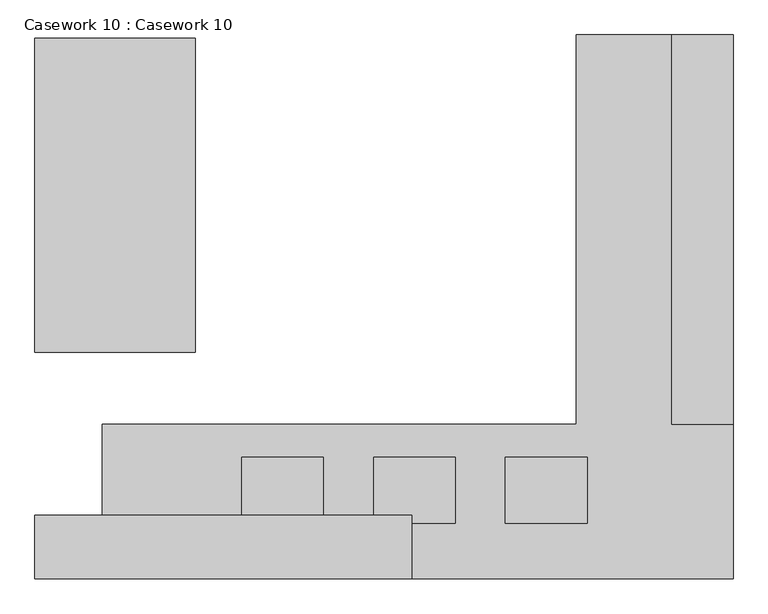
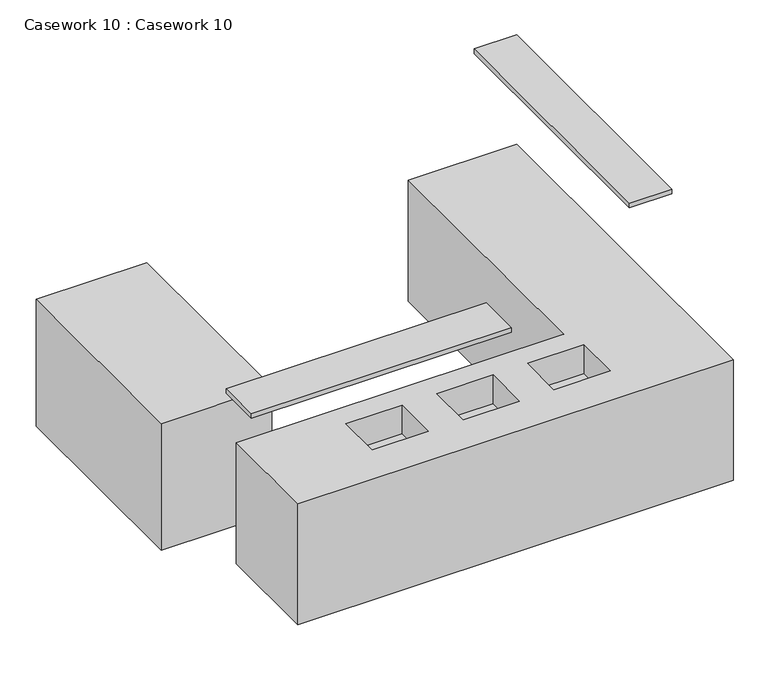
"""IFC4 building model written with IfcOpenShell, lengths in millimetres: furniture geometry, Casework 10 : Casework 10."""

from ifc_helpers import new_model, si_unit, frame, origin, place, context, project, spatial, polyline, outline, extrude, faceted_brep, source, transform, mapped, element, save


def casework_10_casework_10_04145b7c(model_context):
    return source(origin(), model_context, "Body", "SolidModel", [
        extrude(outline(polyline([(-18126.2750886, 22214.2915695), (-18126.2750886, 20703.8316216), (-18898.8596939, 20703.8316216), (-18898.8596939, 22214.2915695), (-18126.2750886, 22214.2915695)])), frame((0.0, 0.0, -14122.4), z_axis=(0.0, 0.0, 1.0), x_axis=(1.0, 0.0, 0.0)), (0.0, 0.0, 1.0), 934.6866812),
        extrude(outline(polyline([(-17084.8750886, 19613.4008493), (-18898.8596939, 19613.4008493), (-18898.8596939, 19919.2631852), (-17084.8750886, 19919.2631852), (-17084.8750886, 19613.4008493)])), frame((0.0, 0.0, -12486.9686386), z_axis=(0.0, 0.0, 1.0), x_axis=(1.0, 0.0, 0.0)), (0.0, 0.0, 1.0), 31.5363404),
        extrude(outline(polyline([(-15538.6500886, 20355.9840728), (-15833.8580257, 20355.9840728), (-15833.8580257, 22230.3986961), (-15538.6500886, 22230.3986961), (-15538.6500886, 20355.9840728)])), frame((0.0, 0.0, -12457.0654308), z_axis=(0.0, 0.0, 1.0), x_axis=(1.0, 0.0, 0.0)), (0.0, 0.0, 1.0), 34.0840454),
        faceted_brep([(-16292.3866609, 20355.9840728, -13230.5480745), (-18575.6501115, 20355.9840728, -13230.5480745), (-18575.6501115, 19613.4008493, -13230.5480745), (-15538.6500886, 19613.4008493, -13230.5480745), (-15538.6500886, 22230.3986961, -13230.5480745), (-16292.3866609, 22230.3986961, -13230.5480745), (-16634.7738006, 19879.8666647, -13230.5480745), (-16634.7738006, 20198.7120659, -13230.5480745), (-16241.2738006, 20198.7120659, -13230.5480745), (-16241.2738006, 19879.8666647, -13230.5480745), (-17268.9035551, 19879.8666647, -13230.5480745), (-17268.9035551, 20198.7120659, -13230.5480745), (-16875.4035551, 20198.7120659, -13230.5480745), (-16875.4035551, 19879.8666647, -13230.5480745), (-17903.9035551, 19879.8666647, -13230.5480745), (-17903.9035551, 20198.7120659, -13230.5480745), (-17510.4035551, 20198.7120659, -13230.5480745), (-17510.4035551, 19879.8666647, -13230.5480745), (-16292.3866609, 20355.9840728, -14122.4), (-16292.3866609, 22230.3986961, -14122.4), (-15538.6500886, 22230.3986961, -14122.4), (-15538.6500886, 19613.4008493, -14122.4), (-18575.6501115, 19613.4008493, -14122.4), (-18575.6501115, 20355.9840728, -14122.4), (-16634.7738006, 20198.7120659, -13443.0730745), (-16634.7738006, 19879.8666647, -13443.0730745), (-16241.2738006, 19879.8666647, -13443.0730745), (-16241.2738006, 20198.7120659, -13443.0730745), (-17268.9035551, 20198.7120659, -13443.0730745), (-17268.9035551, 19879.8666647, -13443.0730745), (-16875.4035551, 19879.8666647, -13443.0730745), (-16875.4035551, 20198.7120659, -13443.0730745), (-17903.9035551, 20198.7120659, -13443.0730745), (-17903.9035551, 19879.8666647, -13443.0730745), (-17510.4035551, 19879.8666647, -13443.0730745), (-17510.4035551, 20198.7120659, -13443.0730745)], [[[0, 1, 2, 3, 4, 5], [6, 7, 8, 9], [10, 11, 12, 13], [14, 15, 16, 17]], [[18, 19, 20, 21, 22, 23]], [[1, 0, 18, 23]], [[2, 1, 23, 22]], [[3, 2, 22, 21]], [[4, 3, 21, 20]], [[5, 4, 20, 19]], [[0, 5, 19, 18]], [[24, 25, 26, 27]], [[25, 24, 7, 6]], [[26, 25, 6, 9]], [[27, 26, 9, 8]], [[24, 27, 8, 7]], [[28, 29, 30, 31]], [[29, 28, 11, 10]], [[30, 29, 10, 13]], [[31, 30, 13, 12]], [[28, 31, 12, 11]], [[32, 33, 34, 35]], [[33, 32, 15, 14]], [[34, 33, 14, 17]], [[35, 34, 17, 16]], [[32, 35, 16, 15]]]),
    ])


if __name__ == "__main__":
    model = new_model("IFC4")
    model_context = context("Model", 3, world=origin())
    ifc_project = project(units=[si_unit("LENGTHUNIT", "METRE", prefix="MILLI")], contexts=[model_context])
    site = spatial("IfcSite", under=ifc_project)
    building = spatial("IfcBuilding", under=site)
    placement = place(None, origin())
    casework_10_casework_10_shape = casework_10_casework_10_04145b7c(model_context)
    element("IfcFurniture", 1, ObjectType="Casework 10 : Casework 10", at=placement, inside=building, context=model_context, shape_type="MappedRepresentation", body=[
        mapped(casework_10_casework_10_shape, transform((0.0, 0.0, 0.0), x_axis=(1.0, 0.0, 0.0), y_axis=(0.0, 1.0, 0.0), z_axis=(0.0, 0.0, 1.0))),
    ])
    save(model, "model.ifc")
